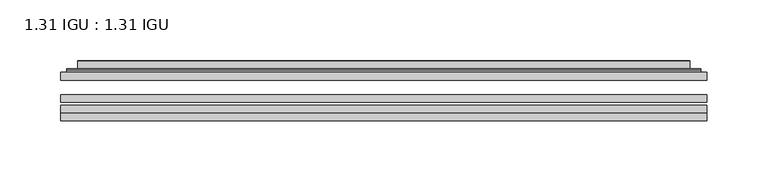
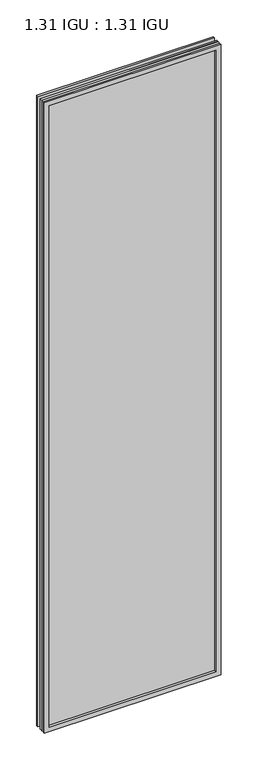
"""IFC4 building model written with IfcOpenShell, lengths in millimetres: plate geometry, 1.31 IGU : 1.31 IGU."""

from ifc_helpers import new_model, si_unit, frame, origin, place, context, project, spatial, polyline, ellipse_curve, outline, extrude, faceted_brep, source, transform, mapped, element, save
from ifc_brep_helpers import plane_surface, cylinder_surface, advanced_brep


def plate_1_31_igu_1_31_igu_60811372(model_context):
    return source(origin(), model_context, "Body", "SolidModel", [
        extrude(outline(polyline([(266.7140393, -63.2975937), (266.7140393, -69.6475938), (-266.6998644, -69.6475938), (-266.6998644, -63.2975937), (266.7140393, -63.2975937)])), frame((0.0, 0.0, -14.2875), z_axis=(0.0, 0.0, 1.0), x_axis=(1.0, 0.0, 0.0)), (0.0, 0.0, 1.0), 2009.796575),
        extrude(outline(polyline([(-266.6998644, -78.2835938), (-266.6998644, -71.9330887), (266.7140393, -71.9330887), (266.7140393, -78.2835938), (-266.6998644, -78.2835938)])), frame((0.0, 0.0, -14.2875), z_axis=(0.0, 0.0, 1.0), x_axis=(1.0, 0.0, 0.0)), (0.0, 0.0, 1.0), 2009.796575),
        extrude(outline(polyline([(266.7140393, -44.9587937), (266.7140393, -51.3087938), (-266.6998644, -51.3087938), (-266.6998644, -44.9587937), (266.7140393, -44.9587937)])), frame((0.0, 0.0, -14.2875), z_axis=(0.0, 0.0, 1.0), x_axis=(1.0, 0.0, 0.0)), (0.0, 0.0, 1.0), 2009.796575),
        faceted_brep([(-266.7125644, -84.6335937, 1995.5179772), (-266.7125644, -78.2835937, 1995.5179772), (-266.7125644, -78.2835937, -14.3002), (-266.7125644, -84.6335937, -14.3002), (266.7125644, -78.2835937, -14.3002), (266.7125644, -84.6335937, -14.3002), (266.7125644, -78.2835937, 1995.5179772), (266.7125644, -84.6335937, 1995.5179772), (-251.5146202, -78.2835937, 0.8977441), (251.5146202, -78.2835937, 0.8977441), (251.5146202, -78.2835937, 1980.320033), (-251.5146202, -78.2835937, 1980.320033), (-252.4070545, -84.6335937, 1981.2124673), (252.4070545, -84.6335937, 1981.2124673), (252.4070545, -84.6335937, 0.0053098), (-252.4070545, -84.6335937, 0.0053098)], [[[0, 1, 2, 3]], [[3, 2, 4, 5]], [[5, 4, 6, 7]], [[1, 6, 4, 2], [8, 9, 10, 11]], [[7, 6, 1, 0]], [[3, 5, 7, 0], [12, 13, 14, 15]], [[11, 12, 15, 8]], [[8, 15, 14, 9]], [[9, 14, 13, 10]], [[10, 13, 12, 11]]]),
        advanced_brep(
        [(-259.4585834, -44.9587937, 1988.2639962), (-261.8127888, -42.9691271, 1990.6182015), (-261.8127888, -42.9691271, -9.4004244), (-259.4585834, -44.9587937, -7.046219), (-250.3842583, -41.1187568, 1979.1896711), (-245.4494264, -44.9587937, 1974.2548392), (-245.4494264, -44.9587937, 6.9629379), (-250.3842583, -41.1187568, 2.0281061), (-251.416286, -35.7215256, 1980.2216988), (-251.416286, -35.7215256, 0.9960783), (-252.4069428, -35.3225507, 1981.2123556), (-252.4069428, -35.3225507, 0.0054216), (-252.4069428, -41.7837937, 1981.2123556), (-252.4069428, -41.7837937, 0.0054216), (-260.8109992, -41.7837937, 1989.616412), (-260.8109992, -41.7837937, -8.3986349), (261.8127888, -42.9691271, -9.4004244), (259.4585834, -44.9587937, -7.046219), (245.4494264, -44.9587937, 6.9629379), (250.3842583, -41.1187568, 2.0281061), (251.416286, -35.7215256, 0.9960783), (252.4069428, -35.3225507, 0.0054216), (252.4069428, -41.7837937, 0.0054216), (260.8109992, -41.7837937, -8.3986349), (261.8127888, -42.9691271, 1990.6182015), (259.4585834, -44.9587937, 1988.2639962), (245.4494264, -44.9587937, 1974.2548392), (250.3842583, -41.1187568, 1979.1896711), (251.416286, -35.7215256, 1980.2216988), (252.4069428, -35.3225507, 1981.2123556), (252.4069428, -41.7837937, 1981.2123556), (260.8109992, -41.7837937, 1989.616412)],
        [
            (0, 1, ellipse_curve(frame((-259.4585834, -42.5711937, 1988.2639962), z_axis=(-0.7071067811865475, 0.0, -0.7071067811865475), x_axis=(-0.7071067811865474, 0.0, 0.7071067811865476)), 3.3765763, 2.3876)),
            (1, 2),
            (2, 3, ellipse_curve(frame((-259.4585834, -42.5711937, -7.046219), z_axis=(-0.7071067811865475, 0.0, 0.7071067811865475), x_axis=(0.7071067811865474, 0.0, 0.7071067811865476)), 3.3765763, 2.3876)),
            (3, 0),
            (4, 5),
            (5, 6),
            (6, 7),
            (7, 4),
            (8, 4),
            (7, 9),
            (9, 8),
            (10, 8, ellipse_curve(frame((-252.0399862, -35.840786, 1980.845399), z_axis=(-0.7071067811865475, 0.0, -0.7071067811865475), x_axis=(-0.7071067811865474, 0.0, 0.7071067811865476)), 0.8980256, 0.635)),
            (9, 11, ellipse_curve(frame((-252.0399862, -35.840786, 0.3723781), z_axis=(-0.7071067811865475, 0.0, 0.7071067811865475), x_axis=(0.7071067811865474, 0.0, 0.7071067811865476)), 0.8980256, 0.635)),
            (11, 10),
            (12, 10),
            (11, 13),
            (13, 12),
            (1, 14, ellipse_curve(frame((-260.8109992, -42.7997937, 1989.616412), z_axis=(-0.7071067811865475, 0.0, -0.7071067811865475), x_axis=(-0.7071067811865474, 0.0, 0.7071067811865476)), 1.436841, 1.016)),
            (14, 15),
            (15, 2, ellipse_curve(frame((-260.8109992, -42.7997937, -8.3986349), z_axis=(-0.7071067811865475, 0.0, 0.7071067811865475), x_axis=(0.7071067811865474, 0.0, 0.7071067811865476)), 1.436841, 1.016)),
            (2, 16),
            (16, 17, ellipse_curve(frame((259.4585834, -42.5711937, -7.046219), z_axis=(-0.7071067811865475, 0.0, -0.7071067811865475), x_axis=(-0.7071067811865476, 0.0, 0.7071067811865474)), 3.3765763, 2.3876)),
            (17, 3),
            (6, 18),
            (18, 19),
            (19, 7),
            (19, 20),
            (20, 9),
            (20, 21, ellipse_curve(frame((252.0399862, -35.840786, 0.3723781), z_axis=(-0.7071067811865475, 0.0, -0.7071067811865475), x_axis=(-0.7071067811865476, 0.0, 0.7071067811865474)), 0.8980256, 0.635)),
            (21, 11),
            (21, 22),
            (22, 13),
            (15, 23),
            (23, 16, ellipse_curve(frame((260.8109992, -42.7997937, -8.3986349), z_axis=(-0.7071067811865475, 0.0, -0.7071067811865475), x_axis=(-0.7071067811865476, 0.0, 0.7071067811865474)), 1.436841, 1.016)),
            (16, 24),
            (24, 25, ellipse_curve(frame((259.4585834, -42.5711937, 1988.2639962), z_axis=(0.7071067811865475, 0.0, -0.7071067811865475), x_axis=(-0.7071067811865474, 0.0, -0.7071067811865476)), 3.3765763, 2.3876)),
            (25, 17),
            (18, 26),
            (26, 27),
            (27, 19),
            (27, 28),
            (28, 20),
            (28, 29, ellipse_curve(frame((252.0399862, -35.840786, 1980.845399), z_axis=(0.7071067811865475, 0.0, -0.7071067811865475), x_axis=(-0.7071067811865474, 0.0, -0.7071067811865476)), 0.8980256, 0.635)),
            (29, 21),
            (29, 30),
            (30, 22),
            (23, 31),
            (31, 24, ellipse_curve(frame((260.8109992, -42.7997937, 1989.616412), z_axis=(0.7071067811865475, 0.0, -0.7071067811865475), x_axis=(-0.7071067811865474, 0.0, -0.7071067811865476)), 1.436841, 1.016)),
            (24, 1),
            (0, 25),
            (5, 26),
            (4, 27),
            (8, 28),
            (10, 29),
            (12, 30),
            (14, 31),
        ],
        [
            cylinder_surface(frame((-259.4585834, -42.5711937, 2012.9677772), z_axis=(0.0, 0.0, 1.0), x_axis=(-1.0, 0.0, 0.0)), 2.3876),
            plane_surface(frame((-245.4494264, -44.9587937, 1974.2548392), z_axis=(0.6141233906514794, 0.7892100234124821, 0.0), x_axis=(0.0, 0.0, -1.0))),
            plane_surface(frame((-250.3842583, -41.1187568, 1979.1896711), z_axis=(0.9822050625507729, 0.18781164793386076, 0.0), x_axis=(0.0, 0.0, -1.0))),
            cylinder_surface(frame((-252.0399862, -35.840786, 2012.9677772), z_axis=(0.0, 0.0, 1.0), x_axis=(-1.0, 0.0, 0.0)), 0.635),
            plane_surface(frame((-252.4069428, -35.3225507, 1981.2123556), z_axis=(-1.0, 0.0, 0.0), x_axis=(0.0, 0.0, -1.0))),
            cylinder_surface(frame((-260.8109992, -42.7997937, 2012.9677772), z_axis=(0.0, 0.0, 1.0), x_axis=(-1.0, 0.0, 0.0)), 1.016),
            cylinder_surface(frame((-284.1623644, -42.5711937, -7.046219), z_axis=(-1.0, 0.0, 0.0), x_axis=(0.0, 0.0, -1.0)), 2.3876),
            plane_surface(frame((-245.4494264, -44.9587937, 6.9629379), z_axis=(0.0, 0.7892100234124841, 0.6141233906514768), x_axis=(1.0, 0.0, 0.0))),
            plane_surface(frame((-250.3842583, -41.1187568, 2.0281061), z_axis=(0.0, 0.18781164793386393, 0.9822050625507723), x_axis=(1.0, 0.0, 0.0))),
            cylinder_surface(frame((-284.1623644, -35.840786, 0.3723781), z_axis=(-1.0, 0.0, 0.0), x_axis=(0.0, 0.0, -1.0)), 0.635),
            plane_surface(frame((-252.4069428, -35.3225507, 0.0054216), z_axis=(0.0, 0.0, -1.0), x_axis=(1.0, 0.0, 0.0))),
            cylinder_surface(frame((-284.1623644, -42.7997937, -8.3986349), z_axis=(-1.0, 0.0, 0.0), x_axis=(0.0, 0.0, -1.0)), 1.016),
            cylinder_surface(frame((259.4585834, -42.5711937, -31.75), z_axis=(0.0, 0.0, -1.0), x_axis=(1.0, 0.0, 0.0)), 2.3876),
            plane_surface(frame((245.4494264, -44.9587937, 6.9629379), z_axis=(-0.6141233906514743, 0.7892100234124861, 0.0), x_axis=(0.0, 0.0, 1.0))),
            plane_surface(frame((250.3842583, -41.1187568, 2.0281061), z_axis=(-0.9822050625507718, 0.1878116479338671, 0.0), x_axis=(0.0, 0.0, 1.0))),
            cylinder_surface(frame((252.0399862, -35.840786, -31.75), z_axis=(0.0, 0.0, -1.0), x_axis=(1.0, 0.0, 0.0)), 0.635),
            plane_surface(frame((252.4069428, -35.3225507, 0.0054216), z_axis=(1.0, 0.0, 0.0), x_axis=(0.0, 0.0, 1.0))),
            cylinder_surface(frame((260.8109992, -42.7997937, -31.75), z_axis=(0.0, 0.0, -1.0), x_axis=(1.0, 0.0, 0.0)), 1.016),
            cylinder_surface(frame((284.1623644, -42.5711937, 1988.2639962), z_axis=(1.0, 0.0, 0.0), x_axis=(0.0, 0.0, 1.0)), 2.3876),
            plane_surface(frame((259.4585834, -44.9587937, 1988.2639962), z_axis=(0.0, -1.0, 0.0), x_axis=(-1.0, 0.0, 0.0))),
            plane_surface(frame((245.4494264, -44.9587937, 1974.2548392), z_axis=(0.0, 0.7892100234124841, -0.6141233906514768), x_axis=(-1.0, 0.0, 0.0))),
            plane_surface(frame((250.3842583, -41.1187568, 1979.1896711), z_axis=(0.0, 0.18781164793386393, -0.9822050625507723), x_axis=(-1.0, 0.0, 0.0))),
            cylinder_surface(frame((284.1623644, -35.840786, 1980.845399), z_axis=(1.0, 0.0, 0.0), x_axis=(0.0, 0.0, 1.0)), 0.635),
            plane_surface(frame((252.4069428, -35.3225507, 1981.2123556), z_axis=(0.0, 0.0, 1.0), x_axis=(-1.0, 0.0, 0.0))),
            plane_surface(frame((252.4069428, -41.7837937, 1981.2123556), z_axis=(0.0, 1.0, 0.0), x_axis=(-1.0, 0.0, 0.0))),
            cylinder_surface(frame((284.1623644, -42.7997937, 1989.616412), z_axis=(1.0, 0.0, 0.0), x_axis=(0.0, 0.0, 1.0)), 1.016),
        ],
        [
            (0, [[1, 2, 3, 4]]),
            (1, [[5, 6, 7, 8]]),
            (2, [[9, -8, 10, 11]]),
            (3, [[12, -11, 13, 14]]),
            (4, [[15, -14, 16, 17]]),
            (5, [[18, 19, 20, -2]]),
            (6, [[-3, 21, 22, 23]]),
            (7, [[-7, 24, 25, 26]]),
            (8, [[-10, -26, 27, 28]]),
            (9, [[-13, -28, 29, 30]]),
            (10, [[-16, -30, 31, 32]]),
            (11, [[-20, 33, 34, -21]]),
            (12, [[-22, 35, 36, 37]]),
            (13, [[-25, 38, 39, 40]]),
            (14, [[-27, -40, 41, 42]]),
            (15, [[-29, -42, 43, 44]]),
            (16, [[-31, -44, 45, 46]]),
            (17, [[-34, 47, 48, -35]]),
            (18, [[-36, 49, -1, 50]]),
            (19, [[-23, -37, -50, -4], [51, -38, -24, -6]]),
            (20, [[-39, -51, -5, 52]]),
            (21, [[-41, -52, -9, 53]]),
            (22, [[-43, -53, -12, 54]]),
            (23, [[-45, -54, -15, 55]]),
            (24, [[56, -47, -33, -19], [-32, -46, -55, -17]]),
            (25, [[-48, -56, -18, -49]]),
        ],
    ),
    ])


if __name__ == "__main__":
    model = new_model("IFC4")
    model_context = context("Model", 3, world=origin())
    ifc_project = project(units=[si_unit("LENGTHUNIT", "METRE", prefix="MILLI")], contexts=[model_context])
    site = spatial("IfcSite", under=ifc_project)
    building = spatial("IfcBuilding", under=site)
    placement = place(None, origin())
    plate_1_31_igu_1_31_igu_shape = plate_1_31_igu_1_31_igu_60811372(model_context)
    element("IfcPlate", 1, ObjectType="1.31 IGU : 1.31 IGU", at=placement, inside=building, context=model_context, shape_type="MappedRepresentation", body=[
        mapped(plate_1_31_igu_1_31_igu_shape, transform((0.0, 0.0, 0.0), x_axis=(1.0, 0.0, 0.0), y_axis=(0.0, 1.0, 0.0), z_axis=(0.0, 0.0, 1.0))),
    ])
    save(model, "model.ifc")
